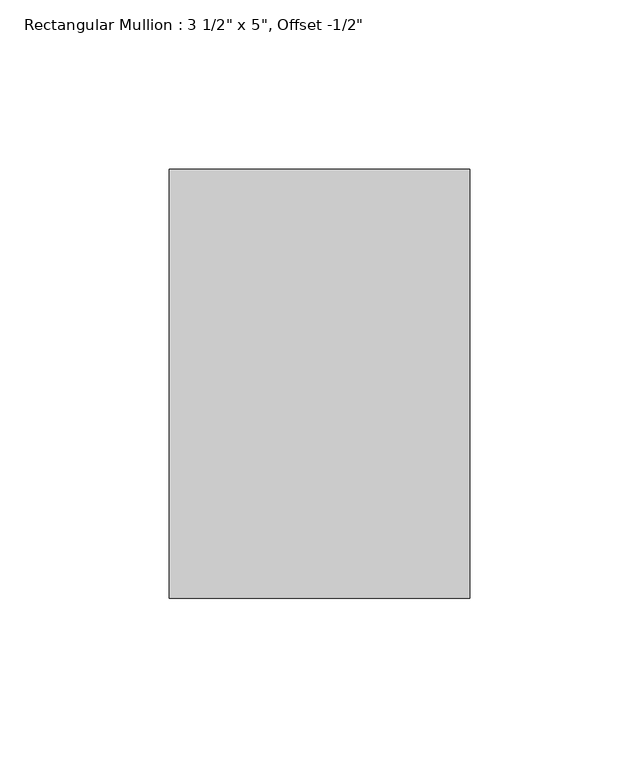
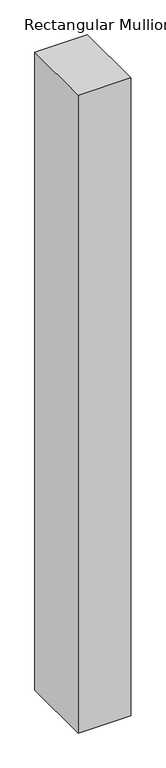
"""IFC4 building model written with IfcOpenShell, lengths in millimetres: member geometry."""

import ifcopenshell
import ifcopenshell.guid

model = None  # the IFC model being written
_history = None  # IfcOwnerHistory: only IFC2X3 demands one
_inside = {}  # id of a spatial element -> (the spatial element, [elements in it])
_under = {}  # id of a project, library or spatial element -> (it, [spatial elements below it])
_declared = {}  # id of a project -> (the project, [libraries it declares])
_typed = {}  # id of a type object -> (the type object, [elements of that type])
_made_of = {}  # id of a material, layer set ... -> (it, [elements and type objects made of it])


def new_model(schema):
    """Start an empty IFC model of exactly this schema.

    Asked for "IFC4X3", IfcOpenShell would pick the latest addendum, in which some entities
    have other attributes; the version numbers below select the first issue.
    IFC2X3 requires an IfcOwnerHistory on every rooted entity: one is made here for all.
    """
    global model, _history
    if schema == "IFC4X3":
        model = ifcopenshell.file(schema_version=(4, 3, 0, 0))
    else:
        model = ifcopenshell.file(schema=schema)
    _inside.clear()
    _under.clear()
    _declared.clear()
    _typed.clear()
    _made_of.clear()
    _history = None
    if model.schema == "IFC2X3":
        org = make("IfcOrganization", Name="unknown")
        user = make(
            "IfcPersonAndOrganization",
            ThePerson=make("IfcPerson", FamilyName="unknown"),
            TheOrganization=org,
        )
        app = make(
            "IfcApplication",
            ApplicationDeveloper=org,
            Version="unknown",
            ApplicationFullName="unknown",
            ApplicationIdentifier="unknown",
        )
        _history = make(
            "IfcOwnerHistory",
            OwningUser=user,
            OwningApplication=app,
            ChangeAction="ADDED",
            CreationDate=0,
        )
    return model


def make(cls, **values):
    """One entity of the class cls with the attributes given. An attribute that is None is left unset."""
    return model.create_entity(
        cls, **{name: value for name, value in values.items() if value is not None}
    )


def rooted(cls, **values):
    """An entity with a GlobalId (a new one), such as an element, a storey or a relation."""
    return make(cls, GlobalId=ifcopenshell.guid.new(), OwnerHistory=_history, **values)


def si_unit(unit_type, name, prefix=None):
    """IfcSIUnit, for example si_unit("LENGTHUNIT", "METRE", prefix="MILLI")."""
    return make("IfcSIUnit", UnitType=unit_type, Prefix=prefix, Name=name)


def assignment(units):
    """IfcUnitAssignment: the units of a project."""
    return None if units is None else make("IfcUnitAssignment", Units=units)


def point(xyz):
    """IfcCartesianPoint."""
    return None if xyz is None else make("IfcCartesianPoint", Coordinates=xyz)


def direction(xyz):
    """IfcDirection."""
    return None if xyz is None else make("IfcDirection", DirectionRatios=xyz)


def frame(location, z_axis=None, x_axis=None):
    """IfcAxis2Placement3D, a coordinate frame: its origin and axes. An axis left out is left unset."""
    return make(
        "IfcAxis2Placement3D",
        Location=point(location),
        Axis=direction(z_axis),
        RefDirection=direction(x_axis),
    )


def origin():
    """The frame at (0, 0, 0) with its axes left unset."""
    return frame((0.0, 0.0, 0.0))


def place(relative_to, where):
    """IfcLocalPlacement: puts the frame where relative to a parent placement (None: the world)."""
    return make(
        "IfcLocalPlacement", PlacementRelTo=relative_to, RelativePlacement=where
    )


def context(
    kind, dimensions, precision=None, world=None, true_north=None, identifier=None
):
    """IfcGeometricRepresentationContext, for example the 3D "Model" context."""
    return make(
        "IfcGeometricRepresentationContext",
        ContextIdentifier=identifier,
        ContextType=kind,
        CoordinateSpaceDimension=dimensions,
        Precision=precision,
        WorldCoordinateSystem=world,
        TrueNorth=true_north,
    )


def project(units=None, contexts=None):
    """IfcProject with its units and contexts."""
    return rooted(
        "IfcProject",
        Name="project",
        RepresentationContexts=contexts,
        UnitsInContext=assignment(units),
    )


def spatial(cls, under=None, at=None, **own):
    """A site, building, storey or space (cls), placed at a placement, below another one or the project."""
    s = rooted(cls, ObjectPlacement=at, **own)
    if under is not None:
        _under.setdefault(under.id(), (under, []))[1].append(s)
    return s


def polyline(points):
    """IfcPolyline through the points."""
    return make("IfcPolyline", Points=[point(p) for p in points])


def outline(outer, holes=None, kind="AREA"):
    """IfcArbitraryClosedProfileDef: a profile drawn as a closed curve; with holes, ...WithVoids."""
    if holes is None:
        return make("IfcArbitraryClosedProfileDef", ProfileType=kind, OuterCurve=outer)
    return make(
        "IfcArbitraryProfileDefWithVoids",
        ProfileType=kind,
        OuterCurve=outer,
        InnerCurves=holes,
    )


def extrude(swept, where, along, depth):
    """IfcExtrudedAreaSolid: the profile swept, set in the frame where, extruded along a direction by depth."""
    return make(
        "IfcExtrudedAreaSolid",
        SweptArea=swept,
        Position=where,
        ExtrudedDirection=direction(along),
        Depth=depth,
    )


def shape(context_of_items, identifier, shape_type, items):
    """IfcShapeRepresentation: the items that make up one representation, for example the "Body"."""
    return make(
        "IfcShapeRepresentation",
        ContextOfItems=context_of_items,
        RepresentationIdentifier=identifier,
        RepresentationType=shape_type,
        Items=items,
    )


def source(mapping_origin, context_of_items, identifier, shape_type, items):
    """IfcRepresentationMap: a shape defined once, which mapped items show again and again."""
    return make(
        "IfcRepresentationMap",
        MappingOrigin=mapping_origin,
        MappedRepresentation=shape(context_of_items, identifier, shape_type, items),
    )


def transform(
    local_origin,
    x_axis=None,
    y_axis=None,
    z_axis=None,
    scale=None,
    scale2=None,
    scale3=None,
    uniform=True,
):
    """IfcCartesianTransformationOperator3D, or its non-uniform kind. x_axis, y_axis, z_axis: its Axis1, 2, 3."""
    if uniform:
        return make(
            "IfcCartesianTransformationOperator3D",
            Axis1=direction(x_axis),
            Axis2=direction(y_axis),
            LocalOrigin=point(local_origin),
            Scale=scale,
            Axis3=direction(z_axis),
        )
    return make(
        "IfcCartesianTransformationOperator3DnonUniform",
        Axis1=direction(x_axis),
        Axis2=direction(y_axis),
        LocalOrigin=point(local_origin),
        Scale=scale,
        Axis3=direction(z_axis),
        Scale2=scale2,
        Scale3=scale3,
    )


def mapped(mapping_source, mapping_target):
    """IfcMappedItem: shows the shape of a source again, moved by a transform."""
    return make(
        "IfcMappedItem", MappingSource=mapping_source, MappingTarget=mapping_target
    )


def made_of(thing, what):
    """Note that an element or type object is made of a material, layer set ...; save() writes the relation."""
    if what is not None:
        _made_of.setdefault(what.id(), (what, []))[1].append(thing)
    return thing


def element(
    cls,
    number,
    at=None,
    inside=None,
    cuts=None,
    type_object=None,
    material=None,
    context=None,
    identifier="Body",
    shape_type=None,
    held_by="IfcProductDefinitionShape",
    body=None,
    shapes=None,
    **own,
):
    """One element of the class cls, such as IfcWall. Its Tag is "e" and its number.

    at: its placement. inside: the storey or other place that contains it. cuts: it is an
    opening in that element (IfcRelVoidsElement). A single representation is given by context,
    identifier, shape_type and body (its items); several are given by shapes. held_by: the class
    of the entity that holds the representations. save() writes the other relations.
    """
    e = rooted(cls, Tag="e%d" % number, ObjectPlacement=at, **own)
    if body is not None:
        shapes = [shape(context, identifier, shape_type, body)]
    if shapes is not None:
        e.Representation = make(held_by, Representations=shapes)
    if inside is not None:
        _inside.setdefault(inside.id(), (inside, []))[1].append(e)
    if cuts is not None:
        rooted(
            "IfcRelVoidsElement", RelatingBuildingElement=cuts, RelatedOpeningElement=e
        )
    if type_object is not None:
        _typed.setdefault(type_object.id(), (type_object, []))[1].append(e)
    return made_of(e, material)


def aggregate(whole, parts):
    """IfcRelAggregates: a whole, such as a stair, and the parts it consists of."""
    return rooted("IfcRelAggregates", RelatingObject=whole, RelatedObjects=parts)


def save(model, path):
    """Write the relations noted so far, then the file.

    IfcRelAggregates (storeys below a building ...), IfcRelContainedInSpatialStructure (elements
    in a storey), IfcRelDefinesByType, IfcRelAssociatesMaterial and IfcRelDeclares: one each for
    every whole, place, type object, material and project.
    """
    for whole, parts in _under.values():
        aggregate(whole, parts)
    for where, things in _inside.values():
        rooted(
            "IfcRelContainedInSpatialStructure",
            RelatedElements=things,
            RelatingStructure=where,
        )
    for kind, things in _typed.values():
        rooted("IfcRelDefinesByType", RelatedObjects=things, RelatingType=kind)
    for what, things in _made_of.values():
        rooted("IfcRelAssociatesMaterial", RelatedObjects=things, RelatingMaterial=what)
    for by, libraries in _declared.values():
        rooted("IfcRelDeclares", RelatingContext=by, RelatedDefinitions=libraries)
    model.write(path)


def member_deaf869e(model_context):
    return source(origin(), model_context, "Body", "SweptSolid", [
        extrude(outline(polyline([(0.0, 76.2), (0.0, -50.8), (-88.9, -50.8), (-88.9, 76.2), (0.0, 76.2)])), frame((0.0, 0.0, -1140.8833333), z_axis=(0.0, 0.0, 1.0), x_axis=(1.0, 0.0, 0.0)), (0.0, 0.0, 1.0), 1140.8833333),
    ])


if __name__ == "__main__":
    model = new_model("IFC4")
    model_context = context("Model", 3, world=origin())
    ifc_project = project(units=[si_unit("LENGTHUNIT", "METRE", prefix="MILLI")], contexts=[model_context])
    site = spatial("IfcSite", under=ifc_project)
    building = spatial("IfcBuilding", under=site)
    placement = place(None, origin())
    member_shape = member_deaf869e(model_context)
    element("IfcMember", 1, ObjectType="Rectangular Mullion : 3 1/2\" x 5\", Offset -1/2\"", at=placement, inside=building, context=model_context, shape_type="MappedRepresentation", body=[
        mapped(member_shape, transform((0.0, 0.0, 0.0), x_axis=(1.0, 0.0, 0.0), y_axis=(0.0, 1.0, 0.0), z_axis=(0.0, 0.0, 1.0))),
    ])
    save(model, "model.ifc")
